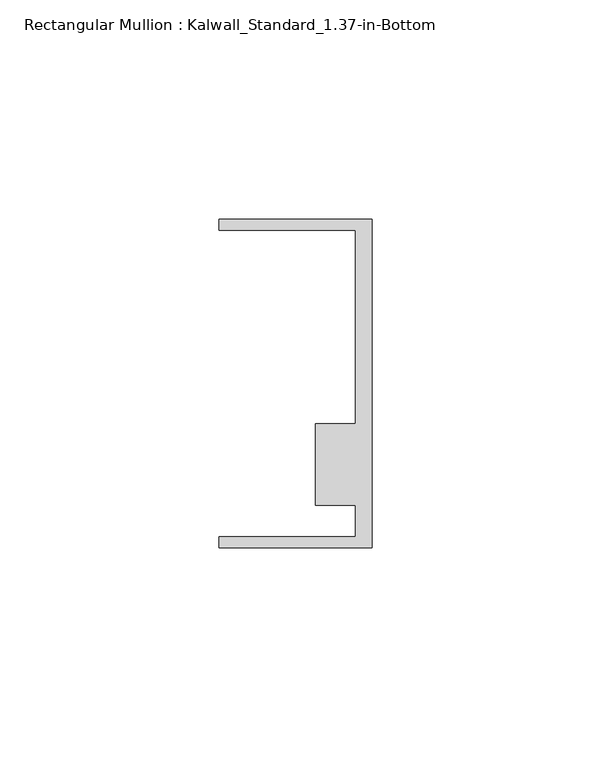
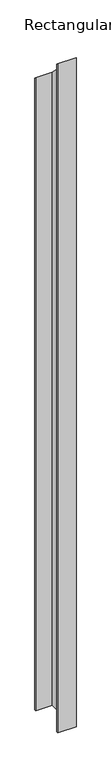
"""IFC4 building model written with IfcOpenShell, lengths in millimetres: member geometry, Rectangular Mullion : Kalwall_Standard_1.37-in-Bottom."""

from ifc_helpers import new_model, si_unit, origin, place, context, project, spatial, faceted_brep, source, transform, mapped, element, save


def rectangular_mullion_kalwall_standard_1_37_in_bottom_de71a7c0(model_context):
    return source(origin(), model_context, "Body", "Brep", [
        faceted_brep([(0.0, -37.5776386, -1309.7520003), (-34.925, -37.5776386, -1309.7520003), (-34.925, -35.0376386, -1309.7520003), (-3.7084, -35.0376386, -1309.7520003), (-3.7084, -27.8888568, -1309.7520003), (-12.8272539, -27.8888568, -1309.7520003), (-12.8272539, -9.1879886, -1309.7520003), (-3.7084, -9.1879886, -1309.7520003), (-3.7084, 34.9623614, -1309.7520003), (-34.925, 34.9623614, -1309.7520003), (-34.925, 37.5023614, -1309.7520003), (0.0, 37.5023614, -1309.7520003), (0.0, 37.5023614, -37.5023614), (0.0, -37.5776386, 37.5776386), (-34.925, 37.5023614, -37.5023614), (-34.925, 34.9623614, -34.9623614), (-3.7084, 34.9623614, -34.9623614), (-3.7084, -9.1879886, 9.1879886), (-12.8272539, -9.1879886, 9.1879886), (-12.8272539, -27.8888568, 27.8888568), (-3.7084, -27.8888568, 27.8888568), (-3.7084, -35.0376386, 35.0376386), (-34.925, -35.0376386, 35.0376386), (-34.925, -37.5776386, 37.5776386)], [[[0, 1, 2, 3, 4, 5, 6, 7, 8, 9, 10, 11]], [[12, 13, 0, 11]], [[14, 12, 11, 10]], [[15, 14, 10, 9]], [[16, 15, 9, 8]], [[17, 16, 8, 7]], [[18, 17, 7, 6]], [[19, 18, 6, 5]], [[20, 19, 5, 4]], [[21, 20, 4, 3]], [[22, 21, 3, 2]], [[23, 22, 2, 1]], [[13, 23, 1, 0]], [[13, 12, 14, 15, 16, 17, 18, 19, 20, 21, 22, 23]]]),
    ])


if __name__ == "__main__":
    model = new_model("IFC4")
    model_context = context("Model", 3, world=origin())
    ifc_project = project(units=[si_unit("LENGTHUNIT", "METRE", prefix="MILLI")], contexts=[model_context])
    site = spatial("IfcSite", under=ifc_project)
    building = spatial("IfcBuilding", under=site)
    placement = place(None, origin())
    rectangular_mullion_kalwall_standard_1_37_in_bottom_shape = rectangular_mullion_kalwall_standard_1_37_in_bottom_de71a7c0(model_context)
    element("IfcMember", 1, ObjectType="Rectangular Mullion : Kalwall_Standard_1.37-in-Bottom", at=placement, inside=building, context=model_context, shape_type="MappedRepresentation", body=[
        mapped(rectangular_mullion_kalwall_standard_1_37_in_bottom_shape, transform((0.0, 0.0, 0.0), x_axis=(1.0, 0.0, 0.0), y_axis=(0.0, 1.0, 0.0), z_axis=(0.0, 0.0, 1.0))),
    ])
    save(model, "model.ifc")
